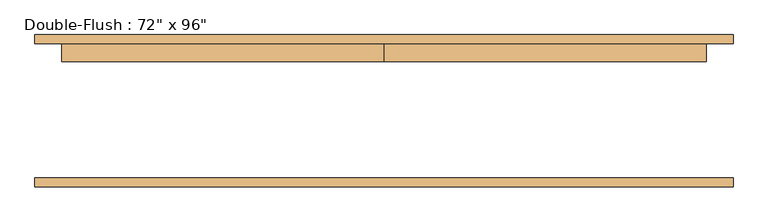
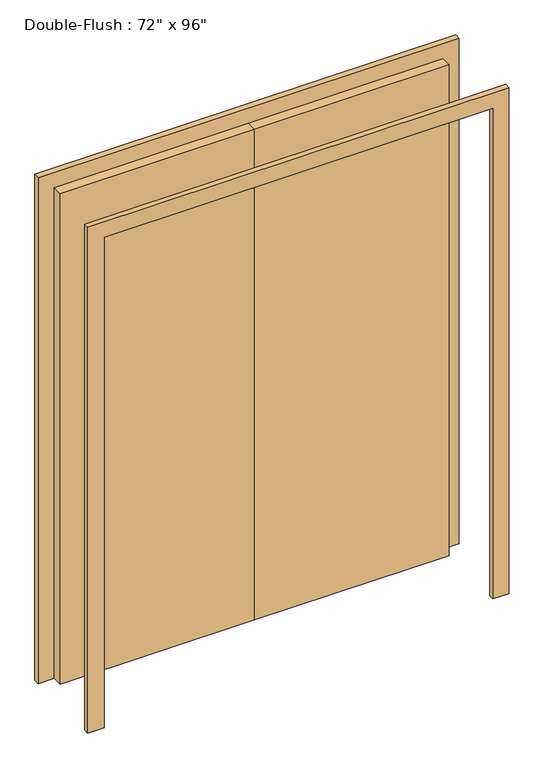
"""IFC4 building model written with IfcOpenShell, lengths in millimetres: door geometry."""

from ifc_helpers import new_model, si_unit, frame, origin, origin_with_axes, place, context, project, spatial, polyline, outline, extrude, source, transform, mapped, element, save


def door_6e49b87b(model_context):
    return source(origin(), model_context, "Body", "SweptSolid", [
        extrude(outline(polyline([(0.0, 190.5), (914.4, 190.5), (914.4, 139.7), (0.0, 139.7), (0.0, 190.5)])), origin_with_axes(), (0.0, 0.0, 1.0), 2438.4),
        extrude(outline(polyline([(-914.4, 190.5), (0.0, 190.5), (0.0, 139.7), (-914.4, 139.7), (-914.4, 190.5)])), origin_with_axes(), (0.0, 0.0, 1.0), 2438.4),
        extrude(outline(polyline([(2438.4, -914.4), (2438.4, 914.4), (0.0, 914.4), (0.0, 990.6), (2514.6, 990.6), (2514.6, -990.6), (0.0, -990.6), (0.0, -914.4), (2438.4, -914.4)])), frame((0.0, -215.9, 0.0), z_axis=(0.0, 1.0, 0.0), x_axis=(0.0, 0.0, 1.0)), (0.0, 0.0, 1.0), 25.4),
        extrude(outline(polyline([(2438.4, -914.4), (2438.4, 914.4), (0.0, 914.4), (0.0, 990.6), (2514.6, 990.6), (2514.6, -990.6), (0.0, -990.6), (0.0, -914.4), (2438.4, -914.4)])), frame((0.0, 190.5, 0.0), z_axis=(0.0, 1.0, 0.0), x_axis=(0.0, 0.0, 1.0)), (0.0, 0.0, 1.0), 25.4),
    ])


if __name__ == "__main__":
    model = new_model("IFC4")
    model_context = context("Model", 3, world=origin())
    ifc_project = project(units=[si_unit("LENGTHUNIT", "METRE", prefix="MILLI")], contexts=[model_context])
    site = spatial("IfcSite", under=ifc_project)
    building = spatial("IfcBuilding", under=site)
    placement = place(None, origin())
    door_shape = door_6e49b87b(model_context)
    element("IfcDoor", 1, ObjectType="Double-Flush : 72\" x 96\"", at=placement, inside=building, context=model_context, shape_type="MappedRepresentation", body=[
        mapped(door_shape, transform((0.0, 0.0, 0.0), x_axis=(1.0, 0.0, 0.0), y_axis=(0.0, 1.0, 0.0), z_axis=(0.0, 0.0, 1.0))),
    ])
    save(model, "model.ifc")
